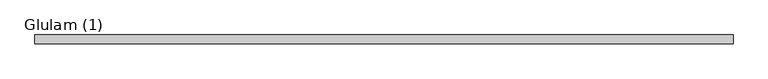
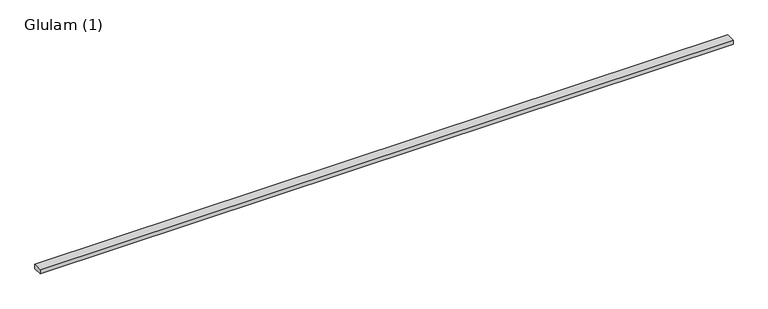
"""IFC4 building model written with IfcOpenShell, lengths in millimetres: beam geometry, Glulam (1)."""

from ifc_helpers import new_model, si_unit, frame, origin, place, context, project, spatial, polyline, outline, extrude, source, transform, mapped, element, save


def glulam_1_165f3a8c(model_context):
    return source(origin(), model_context, "Body", "SweptSolid", [
        extrude(outline(polyline([(5460.5, 70.0), (5460.5, -70.0), (-5461.0, -70.0), (-5461.0, 70.0), (5460.5, 70.0)])), frame((0.0, 0.0, -35.0), z_axis=(0.0, 0.0, 1.0), x_axis=(1.0, 0.0, 0.0)), (0.0, 0.0, 1.0), 70.0),
    ])


if __name__ == "__main__":
    model = new_model("IFC4")
    model_context = context("Model", 3, world=origin())
    ifc_project = project(units=[si_unit("LENGTHUNIT", "METRE", prefix="MILLI")], contexts=[model_context])
    site = spatial("IfcSite", under=ifc_project)
    building = spatial("IfcBuilding", under=site)
    placement = place(None, origin())
    glulam_1_shape = glulam_1_165f3a8c(model_context)
    element("IfcBeam", 1, ObjectType="Glulam (1)", at=placement, inside=building, context=model_context, shape_type="MappedRepresentation", body=[
        mapped(glulam_1_shape, transform((0.0, 0.0, 0.0), x_axis=(1.0, 0.0, 0.0), y_axis=(0.0, 1.0, 0.0), z_axis=(0.0, 0.0, 1.0))),
    ])
    save(model, "model.ifc")
